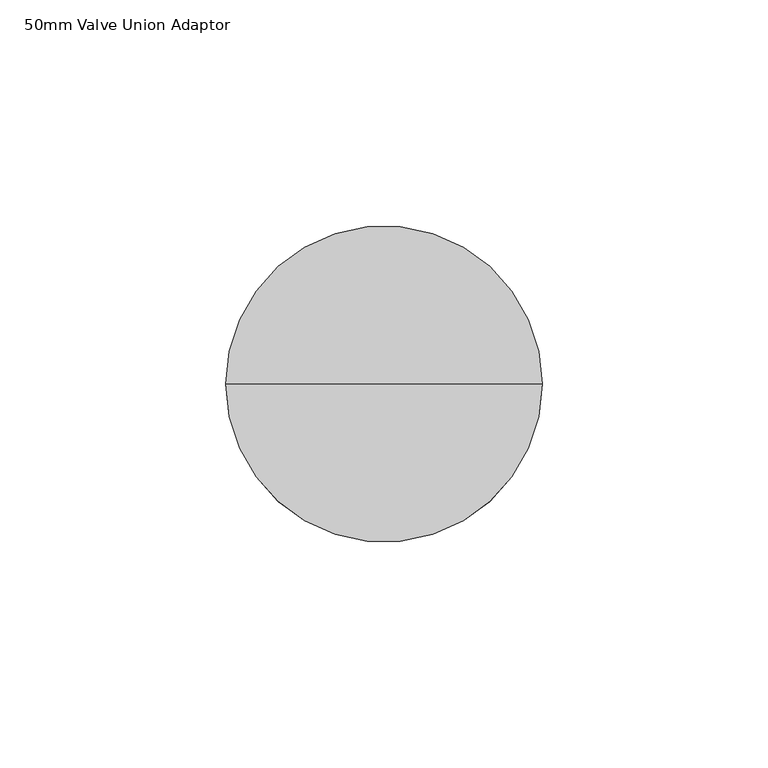
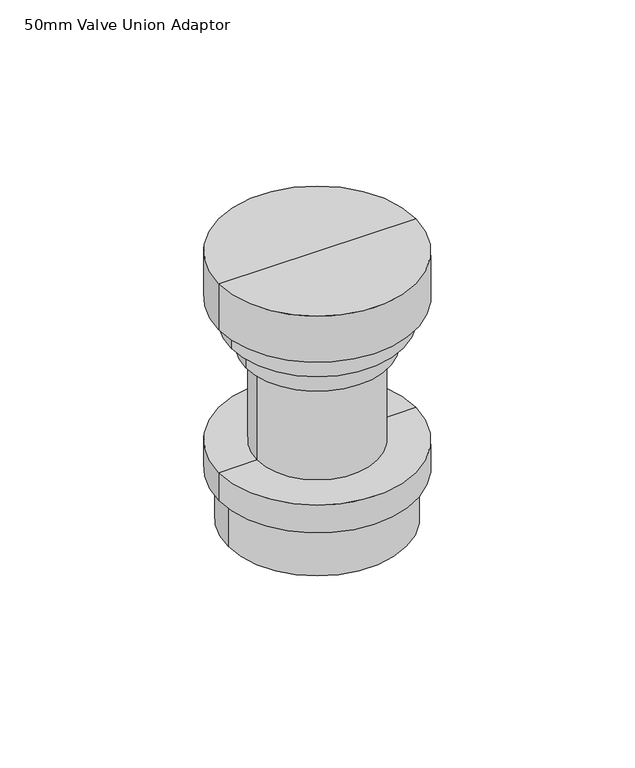
"""IFC4 building model written with IfcOpenShell, lengths in millimetres: proxy geometry, 50mm Valve Union Adaptor."""

from ifc_helpers import new_model, si_unit, frame, origin, place, context, project, spatial, circle_curve, source, transform, mapped, element, save
from ifc_brep_helpers import plane_surface, cylinder_surface, advanced_brep


def proxy_50mm_valve_union_adaptor_914f262c(model_context):
    return source(origin(), model_context, "Body", "AdvancedBrep", [
        advanced_brep(
        [(0.0, 0.0, 0.0), (-31.6836172, 0.0, 0.0), (31.6836172, 0.0, 0.0), (35.0, 0.0, 100.0), (-35.0, 0.0, 100.0), (0.0, 0.0, 100.0), (35.0, 0.0, 82.6351609), (-35.0, 0.0, 82.6351609), (30.6293538, 0.0, 82.6351609), (-30.6293538, 0.0, 82.6351609), (30.6293538, 0.0, 74.1447837), (-30.6293538, 0.0, 74.1447837), (25.3869791, 0.0, 74.1447837), (-25.3869791, 0.0, 74.1447837), (25.3869791, 0.0, 65.0222488), (-25.3869791, 0.0, 65.0222488), (35.0, 0.0, 28.9222488), (-35.0, 0.0, 28.9222488), (-21.4862639, 0.0, 28.9222488), (21.4862639, 0.0, 28.9222488), (35.0, 0.0, 18.4250551), (-35.0, 0.0, 18.4250551), (31.6836172, 0.0, 18.4250551), (-31.6836172, 0.0, 18.4250551), (21.4862639, 0.0, 65.0222488), (-21.4862639, 0.0, 65.0222488)],
        [
            (0, 1),
            (1, 2, circle_curve(frame((0.0, 0.0, 0.0), z_axis=(0.0, 0.0, -1.0), x_axis=(-1.0, 0.0, 0.0)), 31.6836172)),
            (2, 0),
            (2, 1, circle_curve(frame((0.0, 0.0, 0.0), z_axis=(0.0, 0.0, -1.0), x_axis=(-1.0, 0.0, 0.0)), 31.6836172)),
            (3, 4, circle_curve(frame((0.0, 0.0, 100.0), z_axis=(0.0, 0.0, 1.0), x_axis=(-1.0, 0.0, 0.0)), 35.0)),
            (4, 5),
            (5, 3),
            (4, 3, circle_curve(frame((0.0, 0.0, 100.0), z_axis=(0.0, 0.0, 1.0), x_axis=(-1.0, 0.0, 0.0)), 35.0)),
            (6, 7, circle_curve(frame((0.0, 0.0, 82.6351609), z_axis=(0.0, 0.0, 1.0), x_axis=(-1.0, 0.0, 0.0)), 35.0)),
            (7, 4),
            (3, 6),
            (7, 6, circle_curve(frame((0.0, 0.0, 82.6351609), z_axis=(0.0, 0.0, 1.0), x_axis=(-1.0, 0.0, 0.0)), 35.0)),
            (8, 9, circle_curve(frame((0.0, 0.0, 82.6351609), z_axis=(0.0, 0.0, 1.0), x_axis=(-1.0, 0.0, 0.0)), 30.6293538)),
            (9, 7),
            (6, 8),
            (9, 8, circle_curve(frame((0.0, 0.0, 82.6351609), z_axis=(0.0, 0.0, 1.0), x_axis=(-1.0, 0.0, 0.0)), 30.6293538)),
            (10, 11, circle_curve(frame((0.0, 0.0, 74.1447837), z_axis=(0.0, 0.0, 1.0), x_axis=(-1.0, 0.0, 0.0)), 30.6293538)),
            (11, 9),
            (8, 10),
            (11, 10, circle_curve(frame((0.0, 0.0, 74.1447837), z_axis=(0.0, 0.0, 1.0), x_axis=(-1.0, 0.0, 0.0)), 30.6293538)),
            (12, 13, circle_curve(frame((0.0, 0.0, 74.1447837), z_axis=(0.0, 0.0, 1.0), x_axis=(-1.0, 0.0, 0.0)), 25.3869791)),
            (13, 11),
            (10, 12),
            (13, 12, circle_curve(frame((0.0, 0.0, 74.1447837), z_axis=(0.0, 0.0, 1.0), x_axis=(-1.0, 0.0, 0.0)), 25.3869791)),
            (14, 15, circle_curve(frame((0.0, 0.0, 65.0222488), z_axis=(0.0, 0.0, 1.0), x_axis=(-1.0, 0.0, 0.0)), 25.3869791)),
            (15, 13),
            (12, 14),
            (15, 14, circle_curve(frame((0.0, 0.0, 65.0222488), z_axis=(0.0, 0.0, 1.0), x_axis=(-1.0, 0.0, 0.0)), 25.3869791)),
            (16, 17, circle_curve(frame((0.0, 0.0, 28.9222488), z_axis=(0.0, 0.0, 1.0), x_axis=(-1.0, 0.0, 0.0)), 35.0)),
            (17, 18),
            (18, 19, circle_curve(frame((0.0, 0.0, 28.9222488), z_axis=(0.0, 0.0, -1.0), x_axis=(-1.0, 0.0, 0.0)), 21.4862639)),
            (19, 16),
            (17, 16, circle_curve(frame((0.0, 0.0, 28.9222488), z_axis=(0.0, 0.0, 1.0), x_axis=(-1.0, 0.0, 0.0)), 35.0)),
            (19, 18, circle_curve(frame((0.0, 0.0, 28.9222488), z_axis=(0.0, 0.0, -1.0), x_axis=(-1.0, 0.0, 0.0)), 21.4862639)),
            (20, 21, circle_curve(frame((0.0, 0.0, 18.4250551), z_axis=(0.0, 0.0, 1.0), x_axis=(-1.0, 0.0, 0.0)), 35.0)),
            (21, 17),
            (16, 20),
            (21, 20, circle_curve(frame((0.0, 0.0, 18.4250551), z_axis=(0.0, 0.0, 1.0), x_axis=(-1.0, 0.0, 0.0)), 35.0)),
            (22, 23, circle_curve(frame((0.0, 0.0, 18.4250551), z_axis=(0.0, 0.0, 1.0), x_axis=(-1.0, 0.0, 0.0)), 31.6836172)),
            (23, 21),
            (20, 22),
            (23, 22, circle_curve(frame((0.0, 0.0, 18.4250551), z_axis=(0.0, 0.0, 1.0), x_axis=(-1.0, 0.0, 0.0)), 31.6836172)),
            (1, 23),
            (22, 2),
            (24, 25, circle_curve(frame((0.0, 0.0, 65.0222488), z_axis=(0.0, 0.0, 1.0), x_axis=(-1.0, 0.0, 0.0)), 21.4862639)),
            (25, 15),
            (14, 24),
            (25, 24, circle_curve(frame((0.0, 0.0, 65.0222488), z_axis=(0.0, 0.0, 1.0), x_axis=(-1.0, 0.0, 0.0)), 21.4862639)),
            (18, 25),
            (24, 19),
        ],
        [
            plane_surface(frame((0.0, 0.0, 0.0), z_axis=(0.0, 0.0, -1.0), x_axis=(-1.0, 0.0, 0.0))),
            plane_surface(frame((0.0, 0.0, 100.0), z_axis=(0.0, 0.0, 1.0), x_axis=(-1.0, 0.0, 0.0))),
            cylinder_surface(frame((0.0, 0.0, 67.4395104), z_axis=(0.0, 0.0, -1.0), x_axis=(-1.0, 0.0, 0.0)), 35.0),
            plane_surface(frame((0.0, 0.0, 82.6351609), z_axis=(0.0, 0.0, -1.0), x_axis=(-1.0, 0.0, 0.0))),
            cylinder_surface(frame((0.0, 0.0, 67.4395104), z_axis=(0.0, 0.0, -1.0), x_axis=(-1.0, 0.0, 0.0)), 30.6293538),
            plane_surface(frame((0.0, 0.0, 74.1447837), z_axis=(0.0, 0.0, -1.0), x_axis=(-1.0, 0.0, 0.0))),
            cylinder_surface(frame((0.0, 0.0, 67.4395104), z_axis=(0.0, 0.0, -1.0), x_axis=(-1.0, 0.0, 0.0)), 25.3869791),
            plane_surface(frame((0.0, 0.0, 28.9222488), z_axis=(0.0, 0.0, 1.0), x_axis=(-1.0, 0.0, 0.0))),
            plane_surface(frame((0.0, 0.0, 18.4250551), z_axis=(0.0, 0.0, -1.0), x_axis=(-1.0, 0.0, 0.0))),
            cylinder_surface(frame((0.0, 0.0, 67.4395104), z_axis=(0.0, 0.0, -1.0), x_axis=(-1.0, 0.0, 0.0)), 31.6836172),
            plane_surface(frame((0.0, 0.0, 65.0222488), z_axis=(0.0, 0.0, -1.0), x_axis=(-1.0, 0.0, 0.0))),
            cylinder_surface(frame((0.0, 0.0, 67.4395104), z_axis=(0.0, 0.0, -1.0), x_axis=(-1.0, 0.0, 0.0)), 21.4862639),
        ],
        [
            (0, [[1, 2, 3]]),
            (0, [[-3, 4, -1]]),
            (1, [[5, 6, 7]]),
            (1, [[8, -7, -6]]),
            (2, [[9, 10, -5, 11]]),
            (2, [[12, -11, -8, -10]]),
            (3, [[13, 14, -9, 15]]),
            (3, [[16, -15, -12, -14]]),
            (4, [[17, 18, -13, 19]]),
            (4, [[20, -19, -16, -18]]),
            (5, [[21, 22, -17, 23]]),
            (5, [[24, -23, -20, -22]]),
            (6, [[25, 26, -21, 27]]),
            (6, [[28, -27, -24, -26]]),
            (7, [[29, 30, 31, 32]]),
            (7, [[33, -32, 34, -30]]),
            (2, [[35, 36, -29, 37]]),
            (2, [[38, -37, -33, -36]]),
            (8, [[39, 40, -35, 41]]),
            (8, [[42, -41, -38, -40]]),
            (9, [[-2, 43, -39, 44]]),
            (9, [[-4, -44, -42, -43]]),
            (10, [[45, 46, -25, 47]]),
            (10, [[48, -47, -28, -46]]),
            (11, [[-31, 49, -45, 50]]),
            (11, [[-34, -50, -48, -49]]),
        ],
    ),
    ])


if __name__ == "__main__":
    model = new_model("IFC4")
    model_context = context("Model", 3, world=origin())
    ifc_project = project(units=[si_unit("LENGTHUNIT", "METRE", prefix="MILLI")], contexts=[model_context])
    site = spatial("IfcSite", under=ifc_project)
    building = spatial("IfcBuilding", under=site)
    placement = place(None, origin())
    proxy_50mm_valve_union_adaptor_shape = proxy_50mm_valve_union_adaptor_914f262c(model_context)
    element("IfcBuildingElementProxy", 1, Name="50mm Valve Union Adaptor", ObjectType="50mm Valve Union Adaptor", at=placement, inside=building, context=model_context, shape_type="MappedRepresentation", body=[
        mapped(proxy_50mm_valve_union_adaptor_shape, transform((0.0, 0.0, 0.0), x_axis=(1.0, 0.0, 0.0), y_axis=(0.0, 1.0, 0.0), z_axis=(0.0, 0.0, 1.0))),
    ])
    save(model, "model.ifc")
